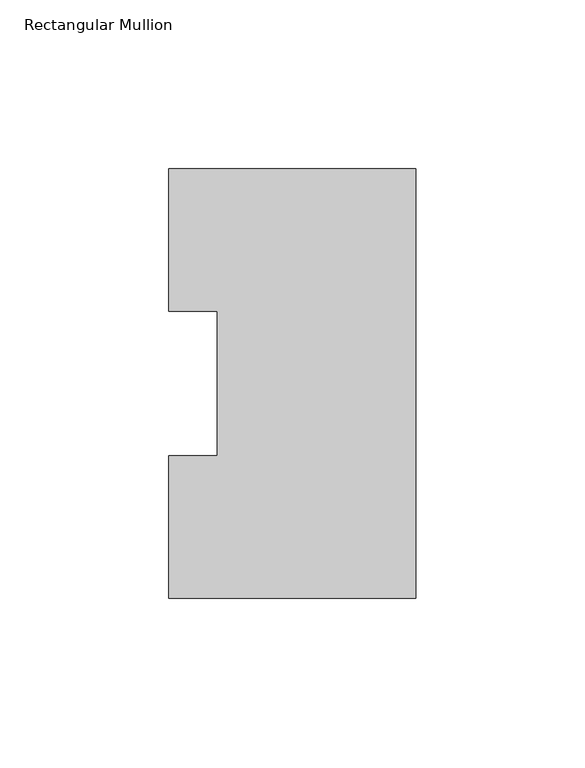
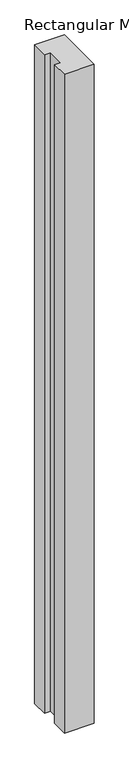
"""IFC4 building model written with IfcOpenShell, lengths in millimetres: member geometry, Rectangular Mullion."""

from ifc_helpers import new_model, si_unit, frame, origin, place, context, project, spatial, polyline, outline, extrude, source, transform, mapped, element, save


def rectangular_mullion_7159662f(model_context):
    return source(origin(), model_context, "Body", "SweptSolid", [
        extrude(outline(polyline([(0.0, 127.00635), (0.0, 0.00635), (-73.025, 0.00635), (-73.025, 42.0814491), (-58.7375, 42.0814491), (-58.7375, 84.93125), (-73.025, 84.93125), (-73.025, 127.00635), (0.0, 127.00635)])), frame((0.0, 0.0, -1714.5005426), z_axis=(0.0, 0.0, 1.0), x_axis=(1.0, 0.0, 0.0)), (0.0, 0.0, 1.0), 1714.5005426),
    ])


if __name__ == "__main__":
    model = new_model("IFC4")
    model_context = context("Model", 3, world=origin())
    ifc_project = project(units=[si_unit("LENGTHUNIT", "METRE", prefix="MILLI")], contexts=[model_context])
    site = spatial("IfcSite", under=ifc_project)
    building = spatial("IfcBuilding", under=site)
    placement = place(None, origin())
    rectangular_mullion_shape = rectangular_mullion_7159662f(model_context)
    element("IfcMember", 1, ObjectType="Rectangular Mullion", at=placement, inside=building, context=model_context, shape_type="MappedRepresentation", body=[
        mapped(rectangular_mullion_shape, transform((0.0, 0.0, 0.0), x_axis=(1.0, 0.0, 0.0), y_axis=(0.0, 1.0, 0.0), z_axis=(0.0, 0.0, 1.0))),
    ])
    save(model, "model.ifc")
